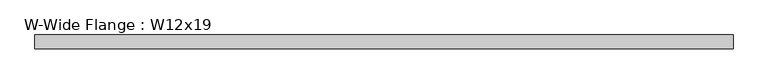
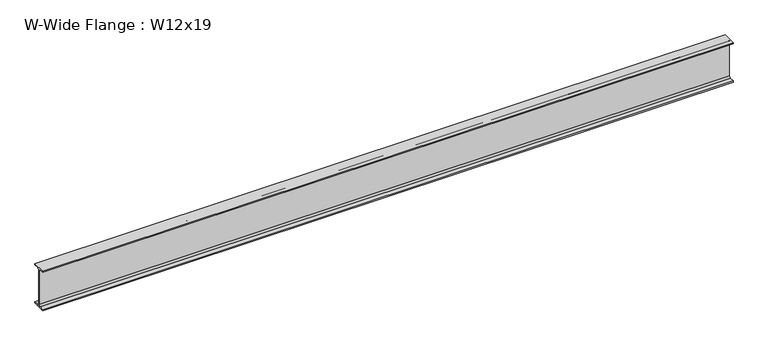
"""IFC4 building model written with IfcOpenShell, lengths in millimetres: beam geometry, W-Wide Flange : W12x19."""

from ifc_helpers import new_model, si_unit, point, frame, frame_2d, origin, place, context, project, spatial, polyline, circle_curve, trimmed, segment, composite_curve, outline, extrude, source, transform, mapped, element, save


def w_wide_flange_w12x19_d361af0c(model_context):
    return source(origin(), model_context, "Body", "SweptSolid", [
        extrude(outline(composite_curve([segment(polyline([(50.927, -146.05), (50.927, -154.94), (-50.927, -154.94), (-50.927, -146.05), (-16.3195, -146.05)]), True, "CONTINUOUS"), segment(trimmed(circle_curve(frame_2d((-16.3195, -132.715)), 13.335), [point((-16.3195, -146.05))], [point((-2.9845, -132.715))], True, "CARTESIAN"), True, "CONTINUOUS"), segment(polyline([(-2.9845, -132.715), (-2.9845, 132.715)]), True, "CONTINUOUS"), segment(trimmed(circle_curve(frame_2d((-16.3195, 132.715)), 13.335), [point((-2.9845, 132.715))], [point((-16.3195, 146.05))], True, "CARTESIAN"), True, "CONTINUOUS"), segment(polyline([(-16.3195, 146.05), (-50.927, 146.05), (-50.927, 154.94), (50.927, 154.94), (50.927, 146.05), (16.3195, 146.05)]), True, "CONTINUOUS"), segment(trimmed(circle_curve(frame_2d((16.3195, 132.715)), 13.335), [point((16.3195, 146.05))], [point((2.9845, 132.715))], True, "CARTESIAN"), True, "CONTINUOUS"), segment(polyline([(2.9845, 132.715), (2.9845, -132.715)]), True, "CONTINUOUS"), segment(trimmed(circle_curve(frame_2d((16.3195, -132.715)), 13.335), [point((2.9845, -132.715))], [point((16.3195, -146.05))], True, "CARTESIAN"), True, "CONTINUOUS"), segment(polyline([(16.3195, -146.05), (50.927, -146.05)]), True, "CONTINUOUS")], self_intersect=False)), frame((-2566.67, 0.0, 0.0), z_axis=(1.0, 0.0, 0.0), x_axis=(0.0, 1.0, 0.0)), (0.0, 0.0, 1.0), 5143.5),
    ])


if __name__ == "__main__":
    model = new_model("IFC4")
    model_context = context("Model", 3, world=origin())
    ifc_project = project(units=[si_unit("LENGTHUNIT", "METRE", prefix="MILLI")], contexts=[model_context])
    site = spatial("IfcSite", under=ifc_project)
    building = spatial("IfcBuilding", under=site)
    placement = place(None, origin())
    w_wide_flange_w12x19_shape = w_wide_flange_w12x19_d361af0c(model_context)
    element("IfcBeam", 1, ObjectType="W-Wide Flange : W12x19", at=placement, inside=building, context=model_context, shape_type="MappedRepresentation", body=[
        mapped(w_wide_flange_w12x19_shape, transform((0.0, 0.0, 0.0), x_axis=(1.0, 0.0, 0.0), y_axis=(0.0, 1.0, 0.0), z_axis=(0.0, 0.0, 1.0))),
    ])
    save(model, "model.ifc")
